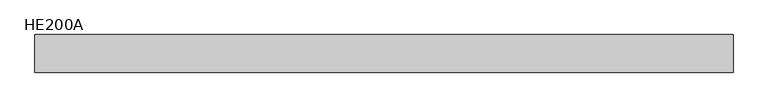
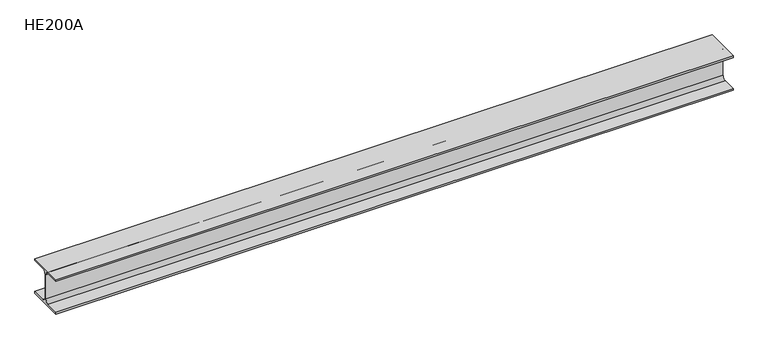
"""IFC4 building model written with IfcOpenShell, lengths in millimetres: beam geometry, HE200A."""

from ifc_helpers import new_model, si_unit, point, frame, frame_2d, origin, place, context, project, spatial, polyline, circle_curve, trimmed, segment, composite_curve, outline, extrude, source, transform, mapped, element, save


def he200a_2eec69d7(model_context):
    return source(origin(), model_context, "Body", "SweptSolid", [
        extrude(outline(composite_curve([segment(polyline([(100.0, -90.0), (100.0, -100.0), (-100.0, -100.0), (-100.0, -90.0), (-24.0, -90.0)]), True, "CONTINUOUS"), segment(trimmed(circle_curve(frame_2d((-24.0, -70.0)), 20.0), [point((-24.0, -90.0))], [point((-4.0, -70.0))], True, "CARTESIAN"), True, "CONTINUOUS"), segment(polyline([(-4.0, -70.0), (-4.0, 70.0)]), True, "CONTINUOUS"), segment(trimmed(circle_curve(frame_2d((-24.0, 70.0)), 20.0), [point((-4.0, 70.0))], [point((-24.0, 90.0))], True, "CARTESIAN"), True, "CONTINUOUS"), segment(polyline([(-24.0, 90.0), (-100.0, 90.0), (-100.0, 100.0), (100.0, 100.0), (100.0, 90.0), (24.0, 90.0)]), True, "CONTINUOUS"), segment(trimmed(circle_curve(frame_2d((24.0, 70.0)), 20.0), [point((24.0, 90.0))], [point((4.0, 70.0))], True, "CARTESIAN"), True, "CONTINUOUS"), segment(polyline([(4.0, 70.0), (4.0, -70.0)]), True, "CONTINUOUS"), segment(trimmed(circle_curve(frame_2d((24.0, -70.0)), 20.0), [point((4.0, -70.0))], [point((24.0, -90.0))], True, "CARTESIAN"), True, "CONTINUOUS"), segment(polyline([(24.0, -90.0), (100.0, -90.0)]), True, "CONTINUOUS")], self_intersect=False)), frame((-1868.5, 0.0, 0.0), z_axis=(1.0, 0.0, 0.0), x_axis=(0.0, 1.0, 0.0)), (0.0, 0.0, 1.0), 3711.0),
    ])


if __name__ == "__main__":
    model = new_model("IFC4")
    model_context = context("Model", 3, world=origin())
    ifc_project = project(units=[si_unit("LENGTHUNIT", "METRE", prefix="MILLI")], contexts=[model_context])
    site = spatial("IfcSite", under=ifc_project)
    building = spatial("IfcBuilding", under=site)
    placement = place(None, origin())
    he200a_shape = he200a_2eec69d7(model_context)
    element("IfcBeam", 1, ObjectType="HE200A", at=placement, inside=building, context=model_context, shape_type="MappedRepresentation", body=[
        mapped(he200a_shape, transform((0.0, 0.0, 0.0), x_axis=(1.0, 0.0, 0.0), y_axis=(0.0, 1.0, 0.0), z_axis=(0.0, 0.0, 1.0))),
    ])
    save(model, "model.ifc")
